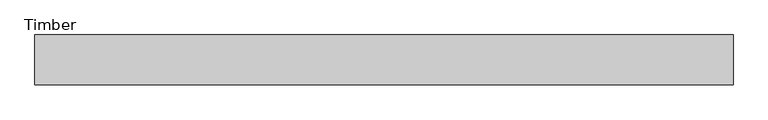
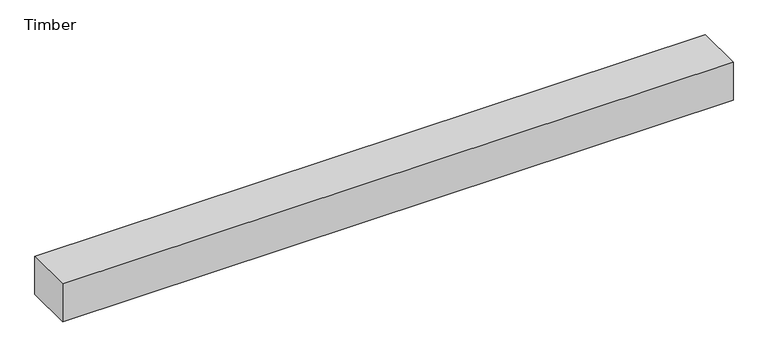
"""IFC4 building model written with IfcOpenShell, lengths in millimetres: beam geometry, Timber."""

from ifc_helpers import new_model, si_unit, frame, origin, place, context, project, spatial, polyline, outline, extrude, source, transform, mapped, element, save


def timber_07edc91b(model_context):
    return source(origin(), model_context, "Body", "SweptSolid", [
        extrude(outline(polyline([(2133.6, 152.4), (2133.6, -152.4), (-2133.6, -152.4), (-2133.6, 152.4), (2133.6, 152.4)])), frame((0.0, 0.0, -127.0), z_axis=(0.0, 0.0, 1.0), x_axis=(1.0, 0.0, 0.0)), (0.0, 0.0, 1.0), 254.0),
    ])


if __name__ == "__main__":
    model = new_model("IFC4")
    model_context = context("Model", 3, world=origin())
    ifc_project = project(units=[si_unit("LENGTHUNIT", "METRE", prefix="MILLI")], contexts=[model_context])
    site = spatial("IfcSite", under=ifc_project)
    building = spatial("IfcBuilding", under=site)
    placement = place(None, origin())
    timber_shape = timber_07edc91b(model_context)
    element("IfcBeam", 1, ObjectType="Timber", at=placement, inside=building, context=model_context, shape_type="MappedRepresentation", body=[
        mapped(timber_shape, transform((0.0, 0.0, 0.0), x_axis=(1.0, 0.0, 0.0), y_axis=(0.0, 1.0, 0.0), z_axis=(0.0, 0.0, 1.0))),
    ])
    save(model, "model.ifc")
